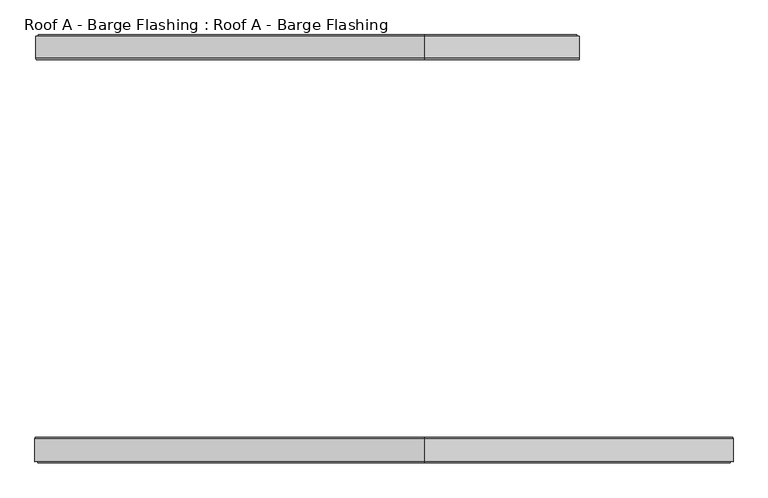
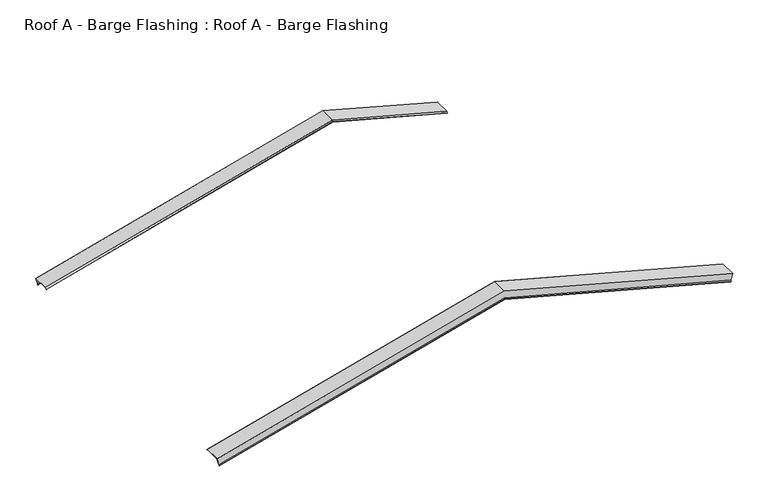
"""IFC4 building model written with IfcOpenShell, lengths in millimetres: proxy geometry, Roof A - Barge Flashing : Roof A - Barge Flashing."""

from ifc_helpers import new_model, si_unit, origin, place, context, project, spatial, faceted_brep, source, transform, mapped, element, save


def roof_a_barge_flashing_roof_a_barge_flashing_4a697ff6(model_context):
    return source(origin(), model_context, "Body", "Brep", [
        faceted_brep([(5490.8450047, 5012.4120222, 5751.4040697), (5490.8450047, 5292.8954809, 5751.4040697), (5460.2618558, 5292.8954809, 5637.2662041), (5456.7088081, 5306.623403, 5624.0060497), (5454.1466302, 5296.7239081, 5614.4438718), (5453.9636175, 5297.4310148, 5613.7608591), (5456.7088081, 5308.0376166, 5624.0060497), (5460.3690621, 5293.8954809, 5637.6663037), (5491.1038237, 5293.8954809, 5752.3699956), (5491.1038237, 5011.9978087, 5752.3699956), (5486.0709744, 4992.5523722, 5733.5871463), (5485.8879617, 4993.2594789, 5732.9041336), (3500.0, 4993.2594789, 6265.0212092), (3500.0, 5012.4120222, 6284.849381), (3500.0, 4992.5523722, 6265.75326), (3500.0, 5011.9978087, 6285.8846572), (3500.0, 5293.8954809, 6285.8846572), (3500.0, 5293.8954809, 6162.9456108), (-1449.9094945, 5293.8954809, 4836.6213591), (-1480.6442561, 5293.8954809, 4951.325051), (3500.0, 5308.0376166, 6148.3045946), (3500.0, 5297.4310148, 6137.3238325), (3500.0, 5296.7239081, 6138.0558833), (3500.0, 5306.623403, 6148.3045946), (3500.0, 5292.8954809, 6162.5167853), (3500.0, 5292.8954809, 6284.849381), (-1480.385437, 5292.8954809, 4950.3591251), (-1449.8022881, 5292.8954809, 4836.2212595), (-1480.385437, 5012.4120222, 4950.3591251), (-1475.4283941, 4993.2594789, 4931.859189), (-1475.6114068, 4992.5523722, 4932.5422017), (-1480.6442561, 5011.9978087, 4951.325051), (-1446.2492404, 5308.0376166, 4822.9611051), (-1443.5040499, 5297.4310148, 4812.7159145), (-1443.6870626, 5296.7239081, 4813.3989272), (-1446.2492404, 5306.623403, 4822.9611051)], [[[0, 1, 2, 3, 4, 5, 6, 7, 8, 9, 10, 11]], [[0, 11, 12, 13]], [[11, 10, 14, 12]], [[10, 9, 15, 14]], [[9, 8, 16, 15]], [[8, 7, 17, 18, 19, 16]], [[7, 6, 20, 17]], [[6, 5, 21, 20]], [[5, 4, 22, 21]], [[4, 3, 23, 22]], [[3, 2, 24, 23]], [[2, 1, 25, 26, 27, 24]], [[1, 0, 13, 25]], [[28, 29, 30, 31, 19, 18, 32, 33, 34, 35, 27, 26]], [[12, 14, 30, 29]], [[15, 16, 19, 31]], [[17, 20, 32, 18]], [[20, 21, 33, 32]], [[21, 22, 34, 33]], [[22, 23, 35, 34]], [[23, 24, 27, 35]], [[25, 13, 28, 26]], [[13, 12, 29, 28]], [[14, 15, 31, 30]]]),
        faceted_brep([(7461.3336903, 122.3456317, 5223.4132177), (7456.3766473, 141.4981749, 5204.9132816), (7456.55966, 142.2052817, 5205.5962943), (7461.5925093, 122.7598452, 5224.3791436), (7461.5925093, -167.8878271, 5224.3791436), (7430.8577477, -167.8878271, 5109.6754517), (7427.1974937, -182.0299627, 5096.0151976), (7424.4523032, -171.423361, 5085.7700071), (7424.6353159, -170.7162542, 5086.4530198), (7427.1974937, -180.6157491, 5096.0151976), (7430.7505414, -166.8878271, 5109.2753521), (7461.3336903, -166.8878271, 5223.4132177), (3500.0, 122.3456317, 6284.849381), (3500.0, 141.4981749, 6265.0212092), (3500.0, 142.2052817, 6265.75326), (3500.0, 122.7598452, 6285.8846572), (3500.0, -167.8878271, 6285.8846572), (-1490.3035143, -167.8878271, 4948.7368605), (-1459.5687527, -167.8878271, 4834.0331687), (3500.0, -167.8878271, 6162.9456108), (3500.0, -182.0299627, 6148.3045946), (3500.0, -171.423361, 6137.3238325), (3500.0, -170.7162542, 6138.0558833), (3500.0, -180.6157491, 6148.3045946), (3500.0, -166.8878271, 6162.5167853), (-1459.4615464, -166.8878271, 4833.6330691), (-1490.0446953, -166.8878271, 4947.7709347), (3500.0, -166.8878271, 6284.849381), (-1490.0446953, 122.3456317, 4947.7709347), (-1455.9084987, -180.6157491, 4820.3729146), (-1453.3463209, -170.7162542, 4810.8107368), (-1453.1633082, -171.423361, 4810.1277241), (-1455.9084987, -182.0299627, 4820.3729146), (-1490.3035143, 122.7598452, 4948.7368605), (-1485.270665, 142.2052817, 4929.9540112), (-1485.0876523, 141.4981749, 4929.2709985)], [[[0, 1, 2, 3, 4, 5, 6, 7, 8, 9, 10, 11]], [[1, 0, 12, 13]], [[2, 1, 13, 14]], [[3, 2, 14, 15]], [[4, 3, 15, 16]], [[5, 4, 16, 17, 18, 19]], [[6, 5, 19, 20]], [[7, 6, 20, 21]], [[8, 7, 21, 22]], [[9, 8, 22, 23]], [[10, 9, 23, 24]], [[11, 10, 24, 25, 26, 27]], [[0, 11, 27, 12]], [[28, 26, 25, 29, 30, 31, 32, 18, 17, 33, 34, 35]], [[14, 13, 35, 34]], [[16, 15, 33, 17]], [[20, 19, 18, 32]], [[21, 20, 32, 31]], [[22, 21, 31, 30]], [[23, 22, 30, 29]], [[24, 23, 29, 25]], [[12, 27, 26, 28]], [[13, 12, 28, 35]], [[15, 14, 34, 33]]]),
    ])


if __name__ == "__main__":
    model = new_model("IFC4")
    model_context = context("Model", 3, world=origin())
    ifc_project = project(units=[si_unit("LENGTHUNIT", "METRE", prefix="MILLI")], contexts=[model_context])
    site = spatial("IfcSite", under=ifc_project)
    building = spatial("IfcBuilding", under=site)
    placement = place(None, origin())
    roof_a_barge_flashing_roof_a_barge_flashing_shape = roof_a_barge_flashing_roof_a_barge_flashing_4a697ff6(model_context)
    element("IfcBuildingElementProxy", 1, Name="Roof A - Barge Flashing : Roof A - Barge Flashing", ObjectType="Roof A - Barge Flashing : Roof A - Barge Flashing", at=placement, inside=building, context=model_context, shape_type="MappedRepresentation", body=[
        mapped(roof_a_barge_flashing_roof_a_barge_flashing_shape, transform((0.0, 0.0, 0.0), x_axis=(1.0, 0.0, 0.0), y_axis=(0.0, 1.0, 0.0), z_axis=(0.0, 0.0, 1.0))),
    ])
    save(model, "model.ifc")
